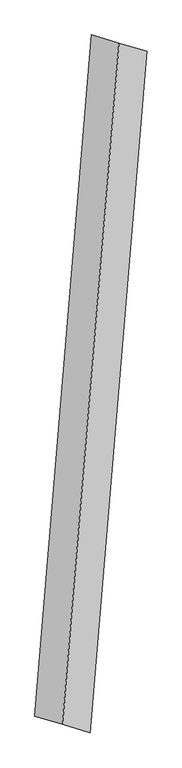
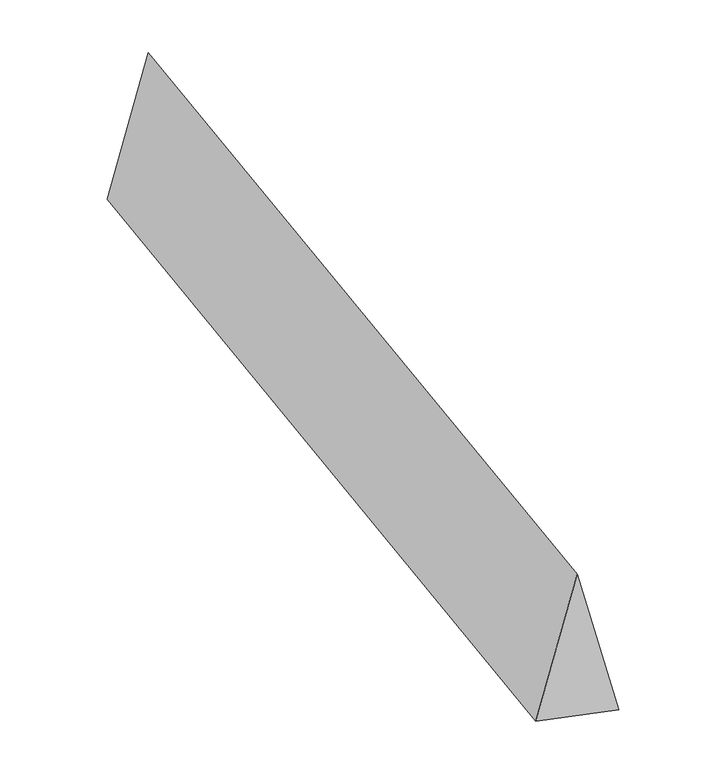
"""IFC4 building model written with IfcOpenShell, lengths in millimetres: proxy geometry."""

from ifc_helpers import new_model, si_unit, origin, place, context, project, spatial, faceted_brep, source, transform, mapped, element, save


def generic_models_64d44f32(model_context):
    return source(origin(), model_context, "Body", "Brep", [
        faceted_brep([(-169.2589206, -2035.3834599, 700.0), (-3.6018607, -2084.2961295, 0.0), (334.9159805, 1986.4707904, 0.0), (169.2589206, 2035.3834599, 700.0), (-334.9159805, -1986.4707904, 0.0), (3.6018607, 2084.2961295, 0.0)], [[[0, 1, 2, 3]], [[1, 4, 5, 2]], [[4, 0, 3, 5]], [[3, 2, 5]], [[0, 4, 1]]]),
    ])


if __name__ == "__main__":
    model = new_model("IFC4")
    model_context = context("Model", 3, world=origin())
    ifc_project = project(units=[si_unit("LENGTHUNIT", "METRE", prefix="MILLI")], contexts=[model_context])
    site = spatial("IfcSite", under=ifc_project)
    building = spatial("IfcBuilding", under=site)
    placement = place(None, origin())
    generic_models_shape = generic_models_64d44f32(model_context)
    element("IfcBuildingElementProxy", 1, Name="Generic Models", at=placement, inside=building, context=model_context, shape_type="MappedRepresentation", body=[
        mapped(generic_models_shape, transform((0.0, 0.0, 0.0), x_axis=(1.0, 0.0, 0.0), y_axis=(0.0, 1.0, 0.0), z_axis=(0.0, 0.0, 1.0))),
    ])
    save(model, "model.ifc")
